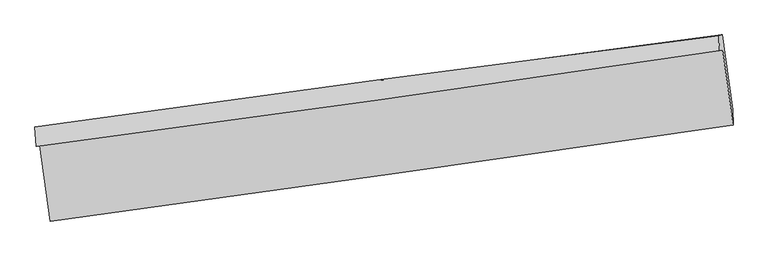
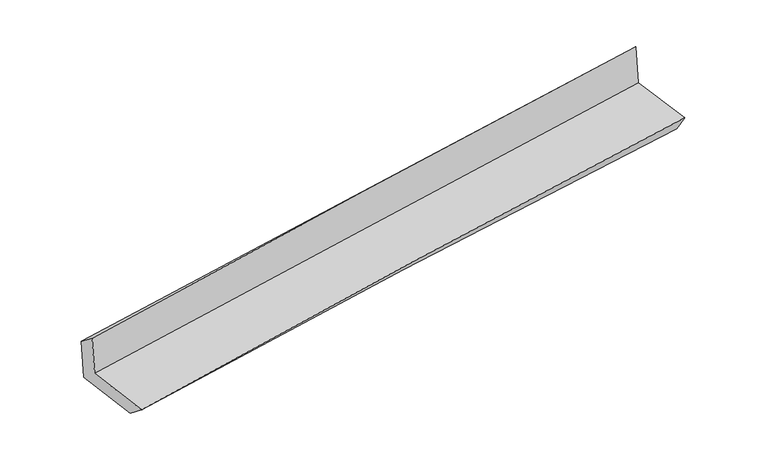
"""IFC4 building model written with IfcOpenShell, lengths in millimetres: proxy geometry."""

from ifc_helpers import new_model, si_unit, frame, origin, place, context, project, spatial, source, transform, mapped, element, save
from ifc_brep_helpers import plane_surface, spline_curve, spline_surface, advanced_brep


def generic_models_52f077d5(model_context):
    return source(origin(), model_context, "Body", "AdvancedBrep", [
        advanced_brep(
        [(-2999.4335378, -1922.3232512, 1658.8406917), (-2907.3319385, -2581.4381069, 1638.8144022), (3042.7056159, -1742.1250958, 2153.5974543), (2953.2015951, -1088.232478, 2157.2682414), (-3027.8989094, -1928.404839, 2048.1142098), (2924.0332865, -1094.4642474, 2556.1546598), (-3041.3225332, -1758.8924848, 1916.9154338), (2918.0667535, -961.2470298, 2393.885003), (-3011.9799668, -1757.3900067, 1524.3497849), (2947.2350621, -955.0152604, 1994.9985845), (-2920.9306012, -2408.9746689, 1504.5522898), (3039.1352304, -1607.4736008, 1956.8872596)],
        [
            (0, 1),
            (1, 2, spline_curve(3, [(-2907.3319385, -2581.4381069, 1638.8144022), (-1916.38886471, -2447.899730585, 1746.157272765), (-925.034094701, -2311.180899506, 1842.730323955), (1058.311911844, -2031.408697217, 2014.320615032), (2050.302993328, -1888.356524166, 2089.341914897), (3042.7056159, -1742.1250958, 2153.5974543)], [4, 2, 4], [0.0, 9.894982654835804, 19.78810032416116])),
            (2, 3),
            (3, 0, spline_curve(3, [(2953.2015951, -1088.232478, 2157.2682414), (1961.607636626, -1236.51710587, 2084.488003332), (969.804501668, -1380.160870395, 2006.56665467), (-1014.407130708, -1658.192878118, 1840.426076341), (-2006.815706202, -1792.57937117, 1752.204908725), (-2999.4335378, -1922.3232512, 1658.8406917)], [4, 2, 4], [0.0, 9.893117669325356, 19.78810032416116])),
            (4, 0),
            (3, 5),
            (5, 4, spline_curve(3, [(2924.0332865, -1094.4642474, 2556.1546598), (1932.133555239, -1242.814203134, 2487.555968752), (940.236086257, -1386.478122036, 2410.924666157), (-1043.741313222, -1664.460086361, 2241.580878559), (-2035.821242694, -1798.776364486, 2148.865364165), (-3027.8989094, -1928.404839, 2048.1142098)], [4, 2, 4], [0.0, 9.893512389788285, 19.788889839497124])),
            (6, 4),
            (5, 7),
            (7, 6, spline_curve(3, [(2918.0667535, -961.2470298, 2393.885003), (1923.407509037, -1087.605733122, 2321.665487053), (929.508846567, -1217.24896501, 2245.812353515), (-1056.95453603, -1483.129544857, 2086.823867166), (-2049.518968785, -1619.368131376, 2003.687144323), (-3041.3225332, -1758.8924848, 1916.9154338)], [4, 2, 4], [0.0, 9.893291141518127, 19.78844730124854])),
            (8, 6),
            (7, 9),
            (9, 8, spline_curve(3, [(2947.2350621, -955.0152604, 1994.9985845), (1952.462974193, -1084.092565023, 1929.220797453), (958.522403165, -1215.489259096, 1857.115463289), (-1027.882919956, -1482.946633582, 1700.23491606), (-2020.347358436, -1619.008187966, 1615.457316782), (-3011.9799668, -1757.3900067, 1524.3497849)], [4, 2, 4], [0.0, 9.893259704568582, 19.78838442142316])),
            (10, 8),
            (9, 11),
            (11, 10, spline_curve(3, [(3039.1352304, -1607.4736008, 1956.8872596), (2044.722022559, -1736.576975714, 1887.910431857), (1050.890021353, -1867.913913688, 1815.731291694), (-935.798808263, -2135.080093945, 1664.95417569), (-1928.655417883, -2270.910179091, 1586.354992879), (-2920.9306012, -2408.9746689, 1504.5522898)], [4, 2, 4], [0.0, 9.892637441399303, 19.787139777779643])),
            (1, 10),
            (11, 2),
        ],
        [
            spline_surface(3, 3, [[(-2999.4335378, -1922.3232512, 1658.8406917), (-2006.815706274, -1792.579371061, 1752.204908864), (-1014.407130577, -1658.192878075, 1840.42607648), (969.804501537, -1380.160870438, 2006.566654531), (1961.607636766, -1236.517105708, 2084.488003474), (2953.2015951, -1088.232478, 2157.2682414)], [(-2968.733004704, -2142.028203108, 1652.165261862), (-1976.673425778, -2011.019490865, 1750.189030161), (-984.616118634, -1875.855551923, 1841.194158921), (999.306971659, -1597.243479331, 2009.151308075), (1991.172755604, -1453.796911899, 2086.105973923), (2983.036268683, -1306.196683928, 2156.044645714)], [(-2938.032471596, -2361.733154992, 1645.489832038), (-1946.531145269, -2229.459610646, 1748.17315147), (-954.825106697, -2093.518225765, 1841.962241373), (1028.809441775, -1814.326088218, 2011.73596163), (2020.737874492, -1671.076718106, 2087.723944331), (3012.870942317, -1524.160889872, 2154.821049986)], [(-2907.3319385, -2581.4381069, 1638.8144022), (-1916.388864773, -2447.899730451, 1746.157272766), (-925.034094754, -2311.180899612, 1842.730323814), (1058.311911897, -2031.408697111, 2014.320615173), (2050.30299333, -1888.356524296, 2089.34191478), (3042.7056159, -1742.1250958, 2153.5974543)]], [4, 4], [4, 2, 4], [0.0, 2.1593651399651], [0.0, 9.894982654835804, 19.78810032416116]),
            spline_surface(3, 3, [[(-3027.8989094, -1928.404839, 2048.1142098), (-2035.821242833, -1798.776364368, 2148.865364232), (-1043.741313226, -1664.460086276, 2241.580878411), (940.236086262, -1386.47812212, 2410.924666304), (1932.133555285, -1242.814203068, 2487.555968748), (2924.0332865, -1094.4642474, 2556.1546598)], [(-3018.410452222, -1926.377643051, 1918.356370434), (-2026.152730669, -1796.710699917, 2016.645212444), (-1033.963252344, -1662.371016891, 2107.8626111), (950.092224686, -1384.372371574, 2276.13866238), (1941.958249108, -1240.715170618, 2353.199980306), (2933.75605603, -1092.386990937, 2423.192520316)], [(-3008.921994978, -1924.350447149, 1788.598531066), (-2016.484218439, -1794.645035512, 1884.425060653), (-1024.18519146, -1660.281947461, 1974.144343791), (959.948363112, -1382.266620984, 2141.352658456), (1951.782942943, -1238.616138158, 2218.843991915), (2943.47882557, -1090.309734463, 2290.230380884)], [(-2999.4335378, -1922.3232512, 1658.8406917), (-2006.815706274, -1792.579371061, 1752.204908864), (-1014.407130577, -1658.192878075, 1840.42607648), (969.804501537, -1380.160870438, 2006.566654531), (1961.607636766, -1236.517105708, 2084.488003474), (2953.2015951, -1088.232478, 2157.2682414)]], [4, 4], [4, 2, 4], [0.0, 1.3250672228821296], [0.0, 9.895377449708839, 19.788889839497124]),
            spline_surface(3, 3, [[(-3041.3225332, -1758.8924848, 1916.9154338), (-2049.518968737, -1619.368131217, 2003.687144336), (-1056.954535907, -1483.129544869, 2086.823867188), (929.508846445, -1217.248964999, 2245.812353492), (1923.407509185, -1087.605733031, 2321.665487031), (2918.0667535, -961.2470298, 2393.885003)], [(-3036.847991934, -1815.396602866, 1960.648359137), (-2044.953060103, -1679.1708756, 2052.079884305), (-1052.550128353, -1543.573058675, 2138.409537602), (933.084593045, -1273.658684044, 2300.849791103), (1926.316191221, -1139.34188969, 2376.962314291), (2920.055597836, -1005.65276898, 2447.974888621)], [(-3032.373450666, -1871.900720934, 2004.381284463), (-2040.387151467, -1738.973619985, 2100.472624263), (-1048.145720781, -1604.01657247, 2189.995207997), (936.660339662, -1330.068403076, 2355.887228694), (1929.224873248, -1191.078046409, 2432.259141487), (2922.044442164, -1050.05850822, 2502.064774179)], [(-3027.8989094, -1928.404839, 2048.1142098), (-2035.821242833, -1798.776364368, 2148.865364232), (-1043.741313226, -1664.460086276, 2241.580878411), (940.236086262, -1386.47812212, 2410.924666304), (1932.133555285, -1242.814203068, 2487.555968748), (2924.0332865, -1094.4642474, 2556.1546598)]], [4, 4], [4, 2, 4], [0.0, 0.779470537608466], [0.0, 9.895156159730412, 19.78844730124854]),
            spline_surface(3, 3, [[(-3011.9799668, -1757.3900067, 1524.3497849), (-2020.347358553, -1619.008188127, 1615.457316802), (-1027.882919974, -1482.946633441, 1700.23491601), (958.522403183, -1215.489259236, 1857.115463339), (1952.462974258, -1084.092565142, 1929.220797313), (2947.2350621, -955.0152604, 1994.9985845)], [(-3021.760822272, -1757.890832745, 1655.205001188), (-2030.071228619, -1619.128169168, 1744.867259301), (-1037.573458615, -1483.007603894, 1829.097899752), (948.851217606, -1216.0758278, 1986.681093406), (1942.777819238, -1085.263621101, 2060.035693869), (2937.51229257, -957.092516863, 2127.960723984)], [(-3031.541677728, -1758.391658755, 1786.060217512), (-2039.79509867, -1619.248150175, 1874.277201837), (-1047.263997265, -1483.068574417, 1957.960883446), (939.180032021, -1216.662396435, 2116.246723425), (1933.092664205, -1086.434677071, 2190.850590475), (2927.78952303, -959.169773337, 2260.922863516)], [(-3041.3225332, -1758.8924848, 1916.9154338), (-2049.518968737, -1619.368131217, 2003.687144336), (-1056.954535907, -1483.129544869, 2086.823867188), (929.508846445, -1217.248964999, 2245.812353492), (1923.407509185, -1087.605733031, 2321.665487031), (2918.0667535, -961.2470298, 2393.885003)]], [4, 4], [4, 2, 4], [0.0, 1.275362084101023], [0.0, 9.895124716854578, 19.78838442142316]),
            spline_surface(3, 3, [[(-2920.9306012, -2408.9746689, 1504.5522898), (-1928.655417772, -2270.910179027, 1586.354992743), (-935.798808291, -2135.080094067, 1664.954175801), (1050.890021381, -1867.913913566, 1815.731291583), (2044.722022459, -1736.576975813, 1887.910431817), (3039.1352304, -1607.4736008, 1956.8872596)], [(-2951.280389729, -2191.779781494, 1511.151454814), (-1959.219398027, -2053.609515388, 1596.05576741), (-966.49351218, -1917.702273881, 1676.714422526), (1020.10081532, -1650.439028812, 1829.52601549), (2013.969006398, -1519.082172249, 1901.680553651), (3008.501840973, -1389.987487327, 1969.591034569)], [(-2981.630178271, -1974.584894106, 1517.750619886), (-1989.783378297, -1836.308851766, 1605.756542135), (-997.188216085, -1700.324453627, 1688.474669285), (989.311609244, -1432.964143989, 1843.320739432), (1983.215990319, -1301.587368705, 1915.450675479), (2977.868451527, -1172.501373873, 1982.294809531)], [(-3011.9799668, -1757.3900067, 1524.3497849), (-2020.347358553, -1619.008188127, 1615.457316802), (-1027.882919974, -1482.946633441, 1700.23491601), (958.522403183, -1215.489259236, 1857.115463339), (1952.462974258, -1084.092565142, 1929.220797313), (2947.2350621, -955.0152604, 1994.9985845)]], [4, 4], [4, 2, 4], [0.0, 2.1649637543241846], [0.0, 9.89450233638034, 19.787139777779643]),
            spline_surface(3, 3, [[(-2907.3319385, -2581.4381069, 1638.8144022), (-1916.388864773, -2447.899730451, 1746.157272766), (-925.034094754, -2311.180899612, 1842.730323814), (1058.311911897, -2031.408697111, 2014.320615173), (2050.30299333, -1888.356524296, 2089.34191478), (3042.7056159, -1742.1250958, 2153.5974543)], [(-2911.86482604, -2523.950294236, 1594.060364765), (-1920.477715745, -2388.903213312, 1692.889846123), (-928.622332603, -2252.480631076, 1783.471607803), (1055.837948388, -1976.910435909, 1948.12417397), (2048.442669714, -1837.7633415, 2022.198087122), (3041.515487408, -1697.241264166, 2088.027389396)], [(-2916.39771366, -2466.462481564, 1549.306327235), (-1924.566566799, -2329.906696166, 1639.622419386), (-932.210570442, -2193.780362602, 1724.212891812), (1053.36398489, -1922.412174768, 1881.927732787), (2046.582346075, -1787.170158608, 1955.054259475), (3040.325358892, -1652.357432434, 2022.457324504)], [(-2920.9306012, -2408.9746689, 1504.5522898), (-1928.655417772, -2270.910179027, 1586.354992743), (-935.798808291, -2135.080094067, 1664.954175801), (1050.890021381, -1867.913913566, 1815.731291583), (2044.722022459, -1736.576975813, 1887.910431817), (3039.1352304, -1607.4736008, 1956.8872596)]], [4, 4], [4, 2, 4], [0.0, 0.8321078785574817], [0.0, 9.894079908531715, 19.786295001700708]),
            plane_surface(frame((2970.7295906, -1241.4262854, 2202.1318671), z_axis=(0.9880748479447654, 0.1348290440317974, 0.07435875028804859), x_axis=(-0.07292077147135932, -0.01557942347410181, 0.9972160461265335))),
            plane_surface(frame((-2984.8162478, -2059.5705596, 1715.2644687), z_axis=(-0.9879427020486998, -0.13579100027146002, -0.07436411576822917), x_axis=(-0.13832809470099272, 0.9899296308161439, 0.03007763701833019))),
        ],
        [
            (0, [[1, 2, 3, 4]]),
            (1, [[5, -4, 6, 7]]),
            (2, [[8, -7, 9, 10]]),
            (3, [[11, -10, 12, 13]]),
            (4, [[14, -13, 15, 16]]),
            (5, [[17, -16, 18, -2]]),
            (6, [[-12, -9, -6, -3, -18, -15]]),
            (7, [[-1, -5, -8, -11, -14, -17]]),
        ],
    ),
    ])


if __name__ == "__main__":
    model = new_model("IFC4")
    model_context = context("Model", 3, world=origin())
    ifc_project = project(units=[si_unit("LENGTHUNIT", "METRE", prefix="MILLI")], contexts=[model_context])
    site = spatial("IfcSite", under=ifc_project)
    building = spatial("IfcBuilding", under=site)
    placement = place(None, origin())
    generic_models_shape = generic_models_52f077d5(model_context)
    element("IfcBuildingElementProxy", 1, Name="Generic Models", at=placement, inside=building, context=model_context, shape_type="MappedRepresentation", body=[
        mapped(generic_models_shape, transform((0.0, 0.0, 0.0), x_axis=(1.0, 0.0, 0.0), y_axis=(0.0, 1.0, 0.0), z_axis=(0.0, 0.0, 1.0))),
    ])
    save(model, "model.ifc")
